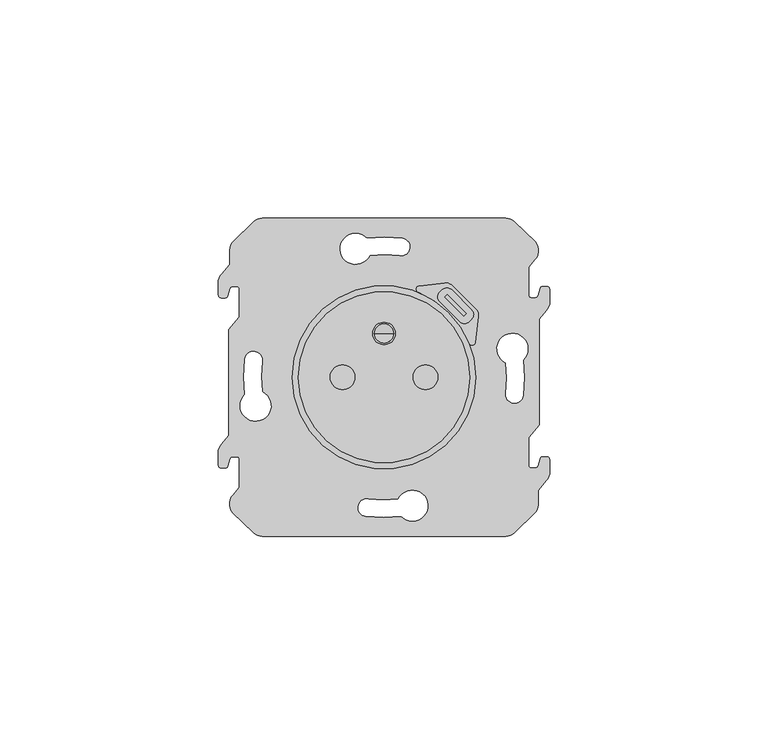
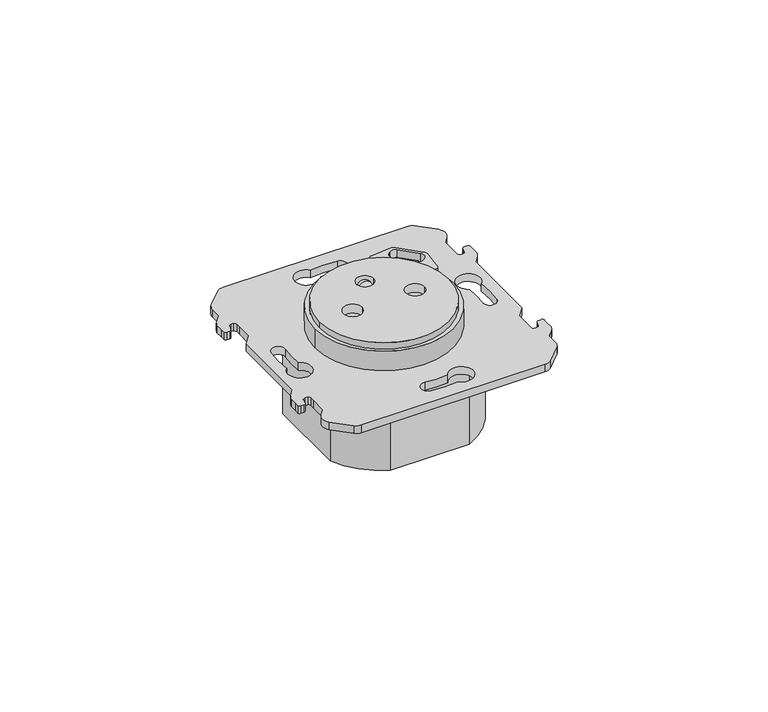
"""IFC4 building model written with IfcOpenShell, lengths in millimetres: proxy geometry."""

from ifc_helpers import new_model, si_unit, point, frame, frame_2d, origin, origin_with_axes, place, context, project, spatial, polyline, circle_curve, ellipse_curve, trimmed, segment, composite_curve, outline, extrude, source, transform, mapped, element, save
from ifc_brep_helpers import plane_surface, cylinder_surface, revolved_surface, advanced_brep


def electrical_fixtures_43f005ed(model_context):
    return source(origin(), model_context, "Body", "SolidModel", [
        advanced_brep(
        [(-5.3618856, 58.9, 1.4999955), (-7.3352401, 58.1817577, 1.4999955), (-12.0623304, 53.6003524, 1.4999955), (-12.825, 51.7544998, 1.4999955), (-12.825, 48.358147, 1.4999955), (-14.6551375, 46.1770741, 1.4999955), (-15.3831369, 44.7482948, 1.4999955), (-15.3831369, 42.6032876, 1.4999955), (-15.3831369, 41.3, 1.4999955), (-14.7831369, 40.7, 1.4999955), (-13.8845347, 40.7, 1.4999955), (-13.2308768, 41.1925666, 1.4999955), (-13.0094096, 41.9649142, 1.4999955), (-12.7678212, 42.8074334, 1.4999955), (-12.1141632, 43.3, 1.4999955), (-11.215561, 43.3, 1.4999955), (-10.615561, 42.7, 1.4999955), (-10.615561, 41.3967124, 1.4999955), (-10.615561, 36.2941352, 1.4999955), (-13.0, 33.4524715, 1.4999955), (-13.0, 9.1495901, 1.4999955), (-14.6551375, 7.1770741, 1.4999955), (-15.3831369, 5.7482948, 1.4999955), (-15.3831369, 3.6032876, 1.4999955), (-15.3831369, 2.3, 1.4999955), (-14.7831369, 1.7, 1.4999955), (-13.8845347, 1.7, 1.4999955), (-13.2308768, 2.1925666, 1.4999955), (-13.0094096, 2.9649142, 1.4999955), (-12.7678212, 3.8074334, 1.4999955), (-12.1141632, 4.3, 1.4999955), (-11.215561, 4.3, 1.4999955), (-10.615561, 3.7, 1.4999955), (-10.615561, 2.3967124, 1.4999955), (-10.615561, -2.7058648, 1.4999955), (-12.0487493, -4.4138721, 1.4999955), (-12.0483311, -8.5880492, 1.4999955), (-7.3352401, -13.1817577, 1.4999955), (-5.3618856, -13.9, 1.4999955), (50.3618856, -13.9, 1.4999955), (52.3352401, -13.1817577, 1.4999955), (57.0623304, -8.6003524, 1.4999955), (57.825, -6.7544998, 1.4999955), (57.825, -3.358147, 1.4999955), (59.6551375, -1.1770741, 1.4999955), (60.3831369, 0.2517052, 1.4999955), (60.3831369, 2.3967124, 1.4999955), (60.3831369, 3.7, 1.4999955), (59.7831369, 4.3, 1.4999955), (58.8845347, 4.3, 1.4999955), (58.2308768, 3.8074334, 1.4999955), (58.0094096, 3.0350858, 1.4999955), (57.7678212, 2.1925666, 1.4999955), (57.1141632, 1.7, 1.4999955), (56.215561, 1.7, 1.4999955), (55.615561, 2.3, 1.4999955), (55.615561, 3.6032876, 1.4999955), (55.615561, 8.7058648, 1.4999955), (58.0, 11.5475285, 1.4999955), (58.0, 35.8504099, 1.4999955), (59.6551375, 37.8229259, 1.4999955), (60.3831369, 39.2517052, 1.4999955), (60.3831369, 41.3967124, 1.4999955), (60.3831369, 42.7, 1.4999955), (59.7831369, 43.3, 1.4999955), (58.8845347, 43.3, 1.4999955), (58.2308768, 42.8074334, 1.4999955), (58.0094096, 42.0350858, 1.4999955), (57.7678212, 41.1925666, 1.4999955), (57.1141632, 40.7, 1.4999955), (56.215561, 40.7, 1.4999955), (55.615561, 41.3, 1.4999955), (55.615561, 42.6032876, 1.4999955), (55.615561, 47.7058648, 1.4999955), (57.0487493, 49.4138721, 1.4999955), (57.0483311, 53.5880492, 1.4999955), (52.3352401, 58.1817577, 1.4999955), (50.3618856, 58.9, 1.4999955), (50.4050903, 25.7948561, 1.4999955), (54.3556482, 26.4616572, 1.4999955), (54.3309119, 18.3239237, 1.4999955), (50.3589525, 18.8422789, 1.4999955), (-5.4050903, 19.2051439, 1.4999955), (-9.3556482, 18.5383428, 1.4999955), (-9.3309119, 26.6760763, 1.4999955), (-5.3589525, 26.1577211, 1.4999955), (19.2051439, 50.4050903, 1.4999955), (18.5383428, 54.3556482, 1.4999955), (26.6760763, 54.3309119, 1.4999955), (26.1577211, 50.3589525, 1.4999955), (25.7948561, -5.4050903, 1.4999955), (26.4616572, -9.3556482, 1.4999955), (18.3239237, -9.3309119, 1.4999955), (18.8422789, -5.3589525, 1.4999955), (-5.3618856, 58.9, -0.9375053), (50.3618856, 58.9, -0.9375053), (52.3352401, 58.1817577, -0.9375053), (57.0623304, 53.6003524, -0.9375053), (57.0487493, 49.4138721, -0.9375053), (55.615561, 47.7058648, -0.9375053), (55.615561, 42.6032876, -0.9375053), (55.615561, 41.3, -0.9375053), (56.215561, 40.7, -0.9375053), (57.1141632, 40.7, -0.9375053), (57.7678212, 41.1925666, -0.9375053), (58.0094096, 42.0350858, -0.9375053), (58.2308768, 42.8074334, -0.9375053), (58.8845347, 43.3, -0.9375053), (59.7831369, 43.3, -0.9375053), (60.3831369, 42.7, -0.9375053), (60.3831369, 41.3967124, -0.9375053), (60.3831369, 39.2517052, -0.9375053), (59.6551375, 37.8229259, -0.9375053), (58.0, 35.8504099, -0.9375053), (58.0, 11.5475285, -0.9375053), (55.615561, 8.7058648, -0.9375053), (55.615561, 3.6032876, -0.9375053), (55.615561, 2.3, -0.9375053), (56.215561, 1.7, -0.9375053), (57.1141632, 1.7, -0.9375053), (57.7678212, 2.1925666, -0.9375053), (58.0094096, 3.0350858, -0.9375053), (58.2308768, 3.8074334, -0.9375053), (58.8845347, 4.3, -0.9375053), (59.7831369, 4.3, -0.9375053), (60.3831369, 3.7, -0.9375053), (60.3831369, 2.3967124, -0.9375053), (60.3831369, 0.2517052, -0.9375053), (59.6551375, -1.1770741, -0.9375053), (57.825, -3.358147, -0.9375053), (57.825, -6.7544998, -0.9375053), (57.0483311, -8.5880492, -0.9375053), (52.3352401, -13.1817577, -0.9375053), (50.3618856, -13.9, -0.9375053), (-5.3618856, -13.9, -0.9375053), (-7.3352401, -13.1817577, -0.9375053), (-12.0623304, -8.6003524, -0.9375053), (-12.0487493, -4.4138721, -0.9375053), (-10.615561, -2.7058648, -0.9375053), (-10.615561, 2.3967124, -0.9375053), (-10.615561, 3.7, -0.9375053), (-11.215561, 4.3, -0.9375053), (-12.1141632, 4.3, -0.9375053), (-12.7678212, 3.8074334, -0.9375053), (-13.0094096, 2.9649142, -0.9375053), (-13.2308768, 2.1925666, -0.9375053), (-13.8845347, 1.7, -0.9375053), (-14.7831369, 1.7, -0.9375053), (-15.3831369, 2.3, -0.9375053), (-15.3831369, 3.6032876, -0.9375053), (-15.3831369, 5.7482948, -0.9375053), (-14.6551375, 7.1770741, -0.9375053), (-13.0, 9.1495901, -0.9375053), (-13.0, 33.4524715, -0.9375053), (-10.615561, 36.2941352, -0.9375053), (-10.615561, 41.3967124, -0.9375053), (-10.615561, 42.7, -0.9375053), (-11.215561, 43.3, -0.9375053), (-12.1141632, 43.3, -0.9375053), (-12.7678212, 42.8074334, -0.9375053), (-13.0094096, 41.9649142, -0.9375053), (-13.2308768, 41.1925666, -0.9375053), (-13.8845347, 40.7, -0.9375053), (-14.7831369, 40.7, -0.9375053), (-15.3831369, 41.3, -0.9375053), (-15.3831369, 42.6032876, -0.9375053), (-15.3831369, 44.7482948, -0.9375053), (-14.6551375, 46.1770741, -0.9375053), (-12.825, 48.358147, -0.9375053), (-12.825, 51.7544998, -0.9375053), (-12.0483311, 53.5880492, -0.9375053), (-7.3352401, 58.1817577, -0.9375053), (50.4050903, 25.7948561, -0.9375053), (50.3589525, 18.8422789, -0.9375053), (54.3309119, 18.3239237, -0.9375053), (54.3556482, 26.4616572, -0.9375053), (-5.4050903, 19.2051439, -0.9375053), (-5.3589525, 26.1577211, -0.9375053), (-9.3309119, 26.6760763, -0.9375053), (-9.3556482, 18.5383428, -0.9375053), (19.2051439, 50.4050903, -0.9375053), (26.1577211, 50.3589525, -0.9375053), (26.6760763, 54.3309119, -0.9375053), (18.5383428, 54.3556482, -0.9375053), (25.7948561, -5.4050903, -0.9375053), (18.8422789, -5.3589525, -0.9375053), (18.3239237, -9.3309119, -0.9375053), (26.4616572, -9.3556482, -0.9375053)],
        [
            (0, 1, circle_curve(frame((-5.3618856, 55.8300054, 1.4999955), z_axis=(0.0, 0.0, 1.0), x_axis=(0.0, -1.0, 0.0)), 3.0699946)),
            (1, 2, circle_curve(frame((22.2319767, 22.9449208, 1.4999955), z_axis=(0.0, 0.0, 1.0), x_axis=(0.0, -1.0, 0.0)), 45.9984237)),
            (2, 3, circle_curve(frame((-9.6732427, 51.5007227, 1.4999955), z_axis=(0.0, 0.0, 1.0), x_axis=(0.0, -1.0, 0.0)), 3.1619578)),
            (3, 4),
            (4, 5),
            (5, 6, circle_curve(frame((-12.0250548, 43.9371233, 1.4999955), z_axis=(0.0, 0.0, 1.0), x_axis=(0.0, 1.0, 0.0)), 3.4546657)),
            (6, 7),
            (7, 8),
            (8, 9, circle_curve(frame((-14.7831369, 41.3, 1.4999955), z_axis=(0.0, 0.0, 1.0), x_axis=(0.0, 1.0, 0.0)), 0.6)),
            (9, 10),
            (10, 11, circle_curve(frame((-13.8845347, 41.38, 1.4999955), z_axis=(0.0, 0.0, 1.0), x_axis=(0.0, 1.0, 0.0)), 0.68)),
            (11, 12),
            (12, 13),
            (13, 14, circle_curve(frame((-12.1141632, 42.62, 1.4999955), z_axis=(0.0, 0.0, -1.0), x_axis=(0.0, -1.0, 0.0)), 0.68)),
            (14, 15),
            (15, 16, circle_curve(frame((-11.215561, 42.7, 1.4999955), z_axis=(0.0, 0.0, -1.0), x_axis=(0.0, -1.0, 0.0)), 0.6)),
            (16, 17),
            (17, 18),
            (18, 19),
            (19, 20),
            (20, 21),
            (21, 22, circle_curve(frame((-12.0250548, 4.9371233, 1.4999955), z_axis=(0.0, 0.0, 1.0), x_axis=(0.0, 1.0, 0.0)), 3.4546657)),
            (22, 23),
            (23, 24),
            (24, 25, circle_curve(frame((-14.7831369, 2.3, 1.4999955), z_axis=(0.0, 0.0, 1.0), x_axis=(0.0, 1.0, 0.0)), 0.6)),
            (25, 26),
            (26, 27, circle_curve(frame((-13.8845347, 2.38, 1.4999955), z_axis=(0.0, 0.0, 1.0), x_axis=(0.0, 1.0, 0.0)), 0.68)),
            (27, 28),
            (28, 29),
            (29, 30, circle_curve(frame((-12.1141632, 3.62, 1.4999955), z_axis=(0.0, 0.0, -1.0), x_axis=(0.0, -1.0, 0.0)), 0.68)),
            (30, 31),
            (31, 32, circle_curve(frame((-11.215561, 3.7, 1.4999955), z_axis=(0.0, 0.0, -1.0), x_axis=(0.0, -1.0, 0.0)), 0.6)),
            (32, 33),
            (33, 34),
            (34, 35),
            (35, 36, circle_curve(frame((-9.6732427, -6.5007227, 1.4999955), z_axis=(0.0, 0.0, 1.0), x_axis=(0.0, 1.0, 0.0)), 3.1619578)),
            (36, 37, circle_curve(frame((22.2319767, 22.0550792, 1.4999955), z_axis=(0.0, 0.0, 1.0), x_axis=(0.0, 1.0, 0.0)), 45.9984237)),
            (37, 38, circle_curve(frame((-5.3618856, -10.8300054, 1.4999955), z_axis=(0.0, 0.0, 1.0), x_axis=(0.0, 1.0, 0.0)), 3.0699946)),
            (38, 39),
            (39, 40, circle_curve(frame((50.3618856, -10.8300054, 1.4999955), z_axis=(0.0, 0.0, 1.0), x_axis=(0.0, 1.0, 0.0)), 3.0699946)),
            (40, 41, circle_curve(frame((22.7680233, 22.0550792, 1.4999955), z_axis=(0.0, 0.0, 1.0), x_axis=(0.0, 1.0, 0.0)), 45.9984237)),
            (41, 42, circle_curve(frame((54.6732427, -6.5007227, 1.4999955), z_axis=(0.0, 0.0, 1.0), x_axis=(0.0, 1.0, 0.0)), 3.1619578)),
            (42, 43),
            (43, 44),
            (44, 45, circle_curve(frame((57.0250548, 1.0628767, 1.4999955), z_axis=(0.0, 0.0, 1.0), x_axis=(0.0, -1.0, 0.0)), 3.4546657)),
            (45, 46),
            (46, 47),
            (47, 48, circle_curve(frame((59.7831369, 3.7, 1.4999955), z_axis=(0.0, 0.0, 1.0), x_axis=(0.0, -1.0, 0.0)), 0.6)),
            (48, 49),
            (49, 50, circle_curve(frame((58.8845347, 3.62, 1.4999955), z_axis=(0.0, 0.0, 1.0), x_axis=(0.0, -1.0, 0.0)), 0.68)),
            (50, 51),
            (51, 52),
            (52, 53, circle_curve(frame((57.1141632, 2.38, 1.4999955), z_axis=(0.0, 0.0, -1.0), x_axis=(0.0, 1.0, 0.0)), 0.68)),
            (53, 54),
            (54, 55, circle_curve(frame((56.215561, 2.3, 1.4999955), z_axis=(0.0, 0.0, -1.0), x_axis=(0.0, 1.0, 0.0)), 0.6)),
            (55, 56),
            (56, 57),
            (57, 58),
            (58, 59),
            (59, 60),
            (60, 61, circle_curve(frame((57.0250548, 40.0628767, 1.4999955), z_axis=(0.0, 0.0, 1.0), x_axis=(0.0, -1.0, 0.0)), 3.4546657)),
            (61, 62),
            (62, 63),
            (63, 64, circle_curve(frame((59.7831369, 42.7, 1.4999955), z_axis=(0.0, 0.0, 1.0), x_axis=(0.0, -1.0, 0.0)), 0.6)),
            (64, 65),
            (65, 66, circle_curve(frame((58.8845347, 42.62, 1.4999955), z_axis=(0.0, 0.0, 1.0), x_axis=(0.0, -1.0, 0.0)), 0.68)),
            (66, 67),
            (67, 68),
            (68, 69, circle_curve(frame((57.1141632, 41.38, 1.4999955), z_axis=(0.0, 0.0, -1.0), x_axis=(0.0, 1.0, 0.0)), 0.68)),
            (69, 70),
            (70, 71, circle_curve(frame((56.215561, 41.3, 1.4999955), z_axis=(0.0, 0.0, -1.0), x_axis=(0.0, 1.0, 0.0)), 0.6)),
            (71, 72),
            (72, 73),
            (73, 74),
            (74, 75, circle_curve(frame((54.6732427, 51.5007227, 1.4999955), z_axis=(0.0, 0.0, 1.0), x_axis=(0.0, -1.0, 0.0)), 3.1619578)),
            (75, 76, circle_curve(frame((22.7680233, 22.9449208, 1.4999955), z_axis=(0.0, 0.0, 1.0), x_axis=(0.0, -1.0, 0.0)), 45.9984237)),
            (76, 77, circle_curve(frame((50.3618856, 55.8300054, 1.4999955), z_axis=(0.0, 0.0, 1.0), x_axis=(0.0, -1.0, 0.0)), 3.0699946)),
            (77, 0),
            (78, 79, circle_curve(frame((51.8931272, 29.0149916, 1.4999955), z_axis=(0.0, 0.0, -1.0), x_axis=(0.0, -1.0, 0.0)), 3.5473266)),
            (79, 80, circle_curve(frame((22.4089112, 22.4898617, 1.4999955), z_axis=(0.0, 0.0, -1.0), x_axis=(0.0, -1.0, 0.0)), 32.1926881)),
            (80, 81, circle_curve(frame((52.3424212, 18.5638607, 1.4999955), z_axis=(0.0, 0.0, -1.0), x_axis=(0.0, -1.0, 0.0)), 2.0029141)),
            (81, 78, circle_curve(frame((24.3636153, 22.4912274, 1.4999955), z_axis=(0.0, 0.0, 1.0), x_axis=(0.0, -1.0, 0.0)), 26.2501882)),
            (82, 83, circle_curve(frame((-6.8931272, 15.9850084, 1.4999955), z_axis=(0.0, 0.0, -1.0), x_axis=(0.0, 1.0, 0.0)), 3.5473266)),
            (83, 84, circle_curve(frame((22.5910888, 22.5101383, 1.4999955), z_axis=(0.0, 0.0, -1.0), x_axis=(0.0, 1.0, 0.0)), 32.1926881)),
            (84, 85, circle_curve(frame((-7.3424212, 26.4361393, 1.4999955), z_axis=(0.0, 0.0, -1.0), x_axis=(0.0, 1.0, 0.0)), 2.0029141)),
            (85, 82, circle_curve(frame((20.6363847, 22.5087726, 1.4999955), z_axis=(0.0, 0.0, 1.0), x_axis=(0.0, 1.0, 0.0)), 26.2501882)),
            (86, 87, circle_curve(frame((15.9850084, 51.8931272, 1.4999955), z_axis=(0.0, 0.0, -1.0), x_axis=(1.0, 0.0, 0.0)), 3.5473266)),
            (87, 88, circle_curve(frame((22.5101383, 22.4089112, 1.4999955), z_axis=(0.0, 0.0, -1.0), x_axis=(1.0, 0.0, 0.0)), 32.1926881)),
            (88, 89, circle_curve(frame((26.4361393, 52.3424212, 1.4999955), z_axis=(0.0, 0.0, -1.0), x_axis=(1.0, 0.0, 0.0)), 2.0029141)),
            (89, 86, circle_curve(frame((22.5087726, 24.3636153, 1.4999955), z_axis=(0.0, 0.0, 1.0), x_axis=(1.0, 0.0, 0.0)), 26.2501882)),
            (90, 91, circle_curve(frame((29.0149916, -6.8931272, 1.4999955), z_axis=(0.0, 0.0, -1.0), x_axis=(-1.0, 0.0, 0.0)), 3.5473266)),
            (91, 92, circle_curve(frame((22.4898617, 22.5910888, 1.4999955), z_axis=(0.0, 0.0, -1.0), x_axis=(-1.0, 0.0, 0.0)), 32.1926881)),
            (92, 93, circle_curve(frame((18.5638607, -7.3424212, 1.4999955), z_axis=(0.0, 0.0, -1.0), x_axis=(-1.0, 0.0, 0.0)), 2.0029141)),
            (93, 90, circle_curve(frame((22.4912274, 20.6363847, 1.4999955), z_axis=(0.0, 0.0, 1.0), x_axis=(-1.0, 0.0, 0.0)), 26.2501882)),
            (94, 95),
            (95, 96, circle_curve(frame((50.3618856, 55.8300054, -0.9375053), z_axis=(0.0, 0.0, -1.0), x_axis=(0.0, -1.0, 0.0)), 3.0699946)),
            (96, 97, circle_curve(frame((22.7680233, 22.9449208, -0.9375053), z_axis=(0.0, 0.0, -1.0), x_axis=(0.0, -1.0, 0.0)), 45.9984237)),
            (97, 98, circle_curve(frame((54.6732427, 51.5007227, -0.9375053), z_axis=(0.0, 0.0, -1.0), x_axis=(0.0, -1.0, 0.0)), 3.1619578)),
            (98, 99),
            (99, 100),
            (100, 101),
            (101, 102, circle_curve(frame((56.215561, 41.3, -0.9375053), z_axis=(0.0, 0.0, 1.0), x_axis=(0.0, 1.0, 0.0)), 0.6)),
            (102, 103),
            (103, 104, circle_curve(frame((57.1141632, 41.38, -0.9375053), z_axis=(0.0, 0.0, 1.0), x_axis=(0.0, 1.0, 0.0)), 0.68)),
            (104, 105),
            (105, 106),
            (106, 107, circle_curve(frame((58.8845347, 42.62, -0.9375053), z_axis=(0.0, 0.0, -1.0), x_axis=(0.0, -1.0, 0.0)), 0.68)),
            (107, 108),
            (108, 109, circle_curve(frame((59.7831369, 42.7, -0.9375053), z_axis=(0.0, 0.0, -1.0), x_axis=(0.0, -1.0, 0.0)), 0.6)),
            (109, 110),
            (110, 111),
            (111, 112, circle_curve(frame((57.0250548, 40.0628767, -0.9375053), z_axis=(0.0, 0.0, -1.0), x_axis=(0.0, -1.0, 0.0)), 3.4546657)),
            (112, 113),
            (113, 114),
            (114, 115),
            (115, 116),
            (116, 117),
            (117, 118, circle_curve(frame((56.215561, 2.3, -0.9375053), z_axis=(0.0, 0.0, 1.0), x_axis=(0.0, 1.0, 0.0)), 0.6)),
            (118, 119),
            (119, 120, circle_curve(frame((57.1141632, 2.38, -0.9375053), z_axis=(0.0, 0.0, 1.0), x_axis=(0.0, 1.0, 0.0)), 0.68)),
            (120, 121),
            (121, 122),
            (122, 123, circle_curve(frame((58.8845347, 3.62, -0.9375053), z_axis=(0.0, 0.0, -1.0), x_axis=(0.0, -1.0, 0.0)), 0.68)),
            (123, 124),
            (124, 125, circle_curve(frame((59.7831369, 3.7, -0.9375053), z_axis=(0.0, 0.0, -1.0), x_axis=(0.0, -1.0, 0.0)), 0.6)),
            (125, 126),
            (126, 127),
            (127, 128, circle_curve(frame((57.0250548, 1.0628767, -0.9375053), z_axis=(0.0, 0.0, -1.0), x_axis=(0.0, -1.0, 0.0)), 3.4546657)),
            (128, 129),
            (129, 130),
            (130, 131, circle_curve(frame((54.6732427, -6.5007227, -0.9375053), z_axis=(0.0, 0.0, -1.0), x_axis=(0.0, 1.0, 0.0)), 3.1619578)),
            (131, 132, circle_curve(frame((22.7680233, 22.0550792, -0.9375053), z_axis=(0.0, 0.0, -1.0), x_axis=(0.0, 1.0, 0.0)), 45.9984237)),
            (132, 133, circle_curve(frame((50.3618856, -10.8300054, -0.9375053), z_axis=(0.0, 0.0, -1.0), x_axis=(0.0, 1.0, 0.0)), 3.0699946)),
            (133, 134),
            (134, 135, circle_curve(frame((-5.3618856, -10.8300054, -0.9375053), z_axis=(0.0, 0.0, -1.0), x_axis=(0.0, 1.0, 0.0)), 3.0699946)),
            (135, 136, circle_curve(frame((22.2319767, 22.0550792, -0.9375053), z_axis=(0.0, 0.0, -1.0), x_axis=(0.0, 1.0, 0.0)), 45.9984237)),
            (136, 137, circle_curve(frame((-9.6732427, -6.5007227, -0.9375053), z_axis=(0.0, 0.0, -1.0), x_axis=(0.0, 1.0, 0.0)), 3.1619578)),
            (137, 138),
            (138, 139),
            (139, 140),
            (140, 141, circle_curve(frame((-11.215561, 3.7, -0.9375053), z_axis=(0.0, 0.0, 1.0), x_axis=(0.0, -1.0, 0.0)), 0.6)),
            (141, 142),
            (142, 143, circle_curve(frame((-12.1141632, 3.62, -0.9375053), z_axis=(0.0, 0.0, 1.0), x_axis=(0.0, -1.0, 0.0)), 0.68)),
            (143, 144),
            (144, 145),
            (145, 146, circle_curve(frame((-13.8845347, 2.38, -0.9375053), z_axis=(0.0, 0.0, -1.0), x_axis=(0.0, 1.0, 0.0)), 0.68)),
            (146, 147),
            (147, 148, circle_curve(frame((-14.7831369, 2.3, -0.9375053), z_axis=(0.0, 0.0, -1.0), x_axis=(0.0, 1.0, 0.0)), 0.6)),
            (148, 149),
            (149, 150),
            (150, 151, circle_curve(frame((-12.0250548, 4.9371233, -0.9375053), z_axis=(0.0, 0.0, -1.0), x_axis=(0.0, 1.0, 0.0)), 3.4546657)),
            (151, 152),
            (152, 153),
            (153, 154),
            (154, 155),
            (155, 156),
            (156, 157, circle_curve(frame((-11.215561, 42.7, -0.9375053), z_axis=(0.0, 0.0, 1.0), x_axis=(0.0, -1.0, 0.0)), 0.6)),
            (157, 158),
            (158, 159, circle_curve(frame((-12.1141632, 42.62, -0.9375053), z_axis=(0.0, 0.0, 1.0), x_axis=(0.0, -1.0, 0.0)), 0.68)),
            (159, 160),
            (160, 161),
            (161, 162, circle_curve(frame((-13.8845347, 41.38, -0.9375053), z_axis=(0.0, 0.0, -1.0), x_axis=(0.0, 1.0, 0.0)), 0.68)),
            (162, 163),
            (163, 164, circle_curve(frame((-14.7831369, 41.3, -0.9375053), z_axis=(0.0, 0.0, -1.0), x_axis=(0.0, 1.0, 0.0)), 0.6)),
            (164, 165),
            (165, 166),
            (166, 167, circle_curve(frame((-12.0250548, 43.9371233, -0.9375053), z_axis=(0.0, 0.0, -1.0), x_axis=(0.0, 1.0, 0.0)), 3.4546657)),
            (167, 168),
            (168, 169),
            (169, 170, circle_curve(frame((-9.6732427, 51.5007227, -0.9375053), z_axis=(0.0, 0.0, -1.0), x_axis=(0.0, -1.0, 0.0)), 3.1619578)),
            (170, 171, circle_curve(frame((22.2319767, 22.9449208, -0.9375053), z_axis=(0.0, 0.0, -1.0), x_axis=(0.0, -1.0, 0.0)), 45.9984237)),
            (171, 94, circle_curve(frame((-5.3618856, 55.8300054, -0.9375053), z_axis=(0.0, 0.0, -1.0), x_axis=(0.0, -1.0, 0.0)), 3.0699946)),
            (172, 173, circle_curve(frame((24.3636153, 22.4912274, -0.9375053), z_axis=(0.0, 0.0, -1.0), x_axis=(0.0, -1.0, 0.0)), 26.2501882)),
            (173, 174, circle_curve(frame((52.3424212, 18.5638607, -0.9375053), z_axis=(0.0, 0.0, 1.0), x_axis=(0.0, -1.0, 0.0)), 2.0029141)),
            (174, 175, circle_curve(frame((22.4089112, 22.4898617, -0.9375053), z_axis=(0.0, 0.0, 1.0), x_axis=(0.0, -1.0, 0.0)), 32.1926881)),
            (175, 172, circle_curve(frame((51.8931272, 29.0149916, -0.9375053), z_axis=(0.0, 0.0, 1.0), x_axis=(0.0, -1.0, 0.0)), 3.5473266)),
            (176, 177, circle_curve(frame((20.6363847, 22.5087726, -0.9375053), z_axis=(0.0, 0.0, -1.0), x_axis=(0.0, 1.0, 0.0)), 26.2501882)),
            (177, 178, circle_curve(frame((-7.3424212, 26.4361393, -0.9375053), z_axis=(0.0, 0.0, 1.0), x_axis=(0.0, 1.0, 0.0)), 2.0029141)),
            (178, 179, circle_curve(frame((22.5910888, 22.5101383, -0.9375053), z_axis=(0.0, 0.0, 1.0), x_axis=(0.0, 1.0, 0.0)), 32.1926881)),
            (179, 176, circle_curve(frame((-6.8931272, 15.9850084, -0.9375053), z_axis=(0.0, 0.0, 1.0), x_axis=(0.0, 1.0, 0.0)), 3.5473266)),
            (180, 181, circle_curve(frame((22.5087726, 24.3636153, -0.9375053), z_axis=(0.0, 0.0, -1.0), x_axis=(1.0, 0.0, 0.0)), 26.2501882)),
            (181, 182, circle_curve(frame((26.4361393, 52.3424212, -0.9375053), z_axis=(0.0, 0.0, 1.0), x_axis=(1.0, 0.0, 0.0)), 2.0029141)),
            (182, 183, circle_curve(frame((22.5101383, 22.4089112, -0.9375053), z_axis=(0.0, 0.0, 1.0), x_axis=(1.0, 0.0, 0.0)), 32.1926881)),
            (183, 180, circle_curve(frame((15.9850084, 51.8931272, -0.9375053), z_axis=(0.0, 0.0, 1.0), x_axis=(1.0, 0.0, 0.0)), 3.5473266)),
            (184, 185, circle_curve(frame((22.4912274, 20.6363847, -0.9375053), z_axis=(0.0, 0.0, -1.0), x_axis=(-1.0, 0.0, 0.0)), 26.2501882)),
            (185, 186, circle_curve(frame((18.5638607, -7.3424212, -0.9375053), z_axis=(0.0, 0.0, 1.0), x_axis=(-1.0, 0.0, 0.0)), 2.0029141)),
            (186, 187, circle_curve(frame((22.4898617, 22.5910888, -0.9375053), z_axis=(0.0, 0.0, 1.0), x_axis=(-1.0, 0.0, 0.0)), 32.1926881)),
            (187, 184, circle_curve(frame((29.0149916, -6.8931272, -0.9375053), z_axis=(0.0, 0.0, 1.0), x_axis=(-1.0, 0.0, 0.0)), 3.5473266)),
            (0, 94),
            (171, 1),
            (170, 2),
            (36, 136),
            (135, 37),
            (134, 38),
            (133, 39),
            (132, 40),
            (131, 41),
            (130, 42),
            (129, 43),
            (128, 44),
            (127, 45),
            (126, 46),
            (125, 47),
            (124, 48),
            (123, 49),
            (122, 50),
            (121, 51),
            (57, 115),
            (114, 58),
            (113, 59),
            (112, 60),
            (111, 61),
            (110, 62),
            (109, 63),
            (108, 64),
            (107, 65),
            (106, 66),
            (105, 67),
            (73, 99),
            (98, 74),
            (97, 75),
            (96, 76),
            (95, 77),
            (78, 172),
            (175, 79),
            (174, 80),
            (173, 81),
            (82, 176),
            (179, 83),
            (178, 84),
            (177, 85),
            (86, 180),
            (183, 87),
            (182, 88),
            (181, 89),
            (90, 184),
            (187, 91),
            (186, 92),
            (185, 93),
            (169, 3),
            (168, 4),
            (167, 5),
            (166, 6),
            (165, 7),
            (164, 8),
            (163, 9),
            (162, 10),
            (161, 11),
            (160, 12),
            (159, 13),
            (158, 14),
            (157, 15),
            (156, 16),
            (155, 17),
            (154, 18),
            (153, 19),
            (152, 20),
            (151, 21),
            (150, 22),
            (149, 23),
            (148, 24),
            (147, 25),
            (146, 26),
            (145, 27),
            (144, 28),
            (143, 29),
            (142, 30),
            (141, 31),
            (140, 32),
            (139, 33),
            (138, 34),
            (137, 35),
            (120, 52),
            (119, 53),
            (118, 54),
            (117, 55),
            (116, 56),
            (104, 68),
            (103, 69),
            (102, 70),
            (101, 71),
            (100, 72),
        ],
        [
            plane_surface(frame((-5.3618856, 52.7600108, 1.4999955), z_axis=(0.0, 0.0, 1.0), x_axis=(1.0, 0.0, 0.0))),
            plane_surface(frame((-5.3618856, 52.7600108, -0.9375053), z_axis=(0.0, 0.0, -1.0), x_axis=(-1.0, 0.0, 0.0))),
            cylinder_surface(frame((-5.3618856, 55.8300054, -0.9375053), z_axis=(0.0, 0.0, 1.0), x_axis=(0.0, -1.0, 0.0)), 3.0699946),
            cylinder_surface(frame((22.2319767, 22.9449208, -0.9375053), z_axis=(0.0, 0.0, 1.0), x_axis=(0.0, -1.0, 0.0)), 45.9984237),
            cylinder_surface(frame((22.2319767, 22.0550792, -0.9375053), z_axis=(0.0, 0.0, 1.0), x_axis=(0.0, 1.0, 0.0)), 45.9984237),
            cylinder_surface(frame((-5.3618856, -10.8300054, -0.9375053), z_axis=(0.0, 0.0, 1.0), x_axis=(0.0, 1.0, 0.0)), 3.0699946),
            plane_surface(frame((-5.3618856, -13.9, 1.4999955), z_axis=(0.0, -1.0, 0.0), x_axis=(0.0, 0.0, -1.0))),
            cylinder_surface(frame((50.3618856, -10.8300054, -0.9375053), z_axis=(0.0, 0.0, 1.0), x_axis=(0.0, 1.0, 0.0)), 3.0699946),
            cylinder_surface(frame((22.7680233, 22.0550792, -0.9375053), z_axis=(0.0, 0.0, 1.0), x_axis=(0.0, 1.0, 0.0)), 45.9984237),
            cylinder_surface(frame((54.6732427, -6.5007227, -0.9375053), z_axis=(0.0, 0.0, 1.0), x_axis=(0.0, 1.0, 0.0)), 3.1619578),
            plane_surface(frame((57.825, -6.7544998, 1.4999955), z_axis=(1.0, 0.0, 0.0), x_axis=(0.0, 0.0, -1.0))),
            plane_surface(frame((57.825, -3.358147, 1.4999955), z_axis=(0.7660444431193687, -0.6427876096860737, 0.0), x_axis=(0.0, 0.0, -1.0))),
            cylinder_surface(frame((57.0250548, 1.0628767, -0.9375053), z_axis=(0.0, 0.0, 1.0), x_axis=(0.0, -1.0, 0.0)), 3.4546657),
            plane_surface(frame((60.3831369, 0.2517052, 1.4999955), z_axis=(1.0, 0.0, 0.0), x_axis=(0.0, 0.0, -1.0))),
            plane_surface(frame((60.3831369, 2.3967124, 1.4999955), z_axis=(1.0, 0.0, 0.0), x_axis=(0.0, 0.0, -1.0))),
            cylinder_surface(frame((59.7831369, 3.7, -0.9375053), z_axis=(0.0, 0.0, 1.0), x_axis=(0.0, -1.0, 0.0)), 0.6),
            plane_surface(frame((59.7831369, 4.3, 1.4999955), z_axis=(0.0, 1.0, 0.0), x_axis=(0.0, 0.0, -1.0))),
            cylinder_surface(frame((58.8845347, 3.62, -0.9375053), z_axis=(0.0, 0.0, 1.0), x_axis=(0.0, -1.0, 0.0)), 0.68),
            plane_surface(frame((58.2308768, 3.8074334, 1.4999955), z_axis=(-0.9612616959382921, 0.27563735581709237, 0.0), x_axis=(0.0, 0.0, -1.0))),
            plane_surface(frame((55.615561, 8.7058648, 1.4999955), z_axis=(0.7660444431184645, -0.6427876096871513, 0.0), x_axis=(0.0, 0.0, -1.0))),
            plane_surface(frame((58.0, 11.5475285, 1.4999955), z_axis=(1.0, 0.0, 0.0), x_axis=(0.0, 0.0, -1.0))),
            plane_surface(frame((58.0, 35.8504099, 1.4999955), z_axis=(0.766044443119369, -0.6427876096860735, 0.0), x_axis=(0.0, 0.0, -1.0))),
            cylinder_surface(frame((57.0250548, 40.0628767, -0.9375053), z_axis=(0.0, 0.0, 1.0), x_axis=(0.0, -1.0, 0.0)), 3.4546657),
            plane_surface(frame((60.3831369, 39.2517052, 1.4999955), z_axis=(1.0, 0.0, 0.0), x_axis=(0.0, 0.0, -1.0))),
            plane_surface(frame((60.3831369, 41.3967124, 1.4999955), z_axis=(1.0, 0.0, 0.0), x_axis=(0.0, 0.0, -1.0))),
            cylinder_surface(frame((59.7831369, 42.7, -0.9375053), z_axis=(0.0, 0.0, 1.0), x_axis=(0.0, -1.0, 0.0)), 0.6),
            plane_surface(frame((59.7831369, 43.3, 1.4999955), z_axis=(0.0, 1.0, 0.0), x_axis=(0.0, 0.0, -1.0))),
            cylinder_surface(frame((58.8845347, 42.62, -0.9375053), z_axis=(0.0, 0.0, 1.0), x_axis=(0.0, -1.0, 0.0)), 0.68),
            plane_surface(frame((58.2308768, 42.8074334, 1.4999955), z_axis=(-0.9612616959382918, 0.27563735581709375, 0.0), x_axis=(0.0, 0.0, -1.0))),
            plane_surface(frame((55.615561, 47.7058648, 1.4999955), z_axis=(0.7660444431184653, -0.6427876096871505, 0.0), x_axis=(0.0, 0.0, -1.0))),
            cylinder_surface(frame((54.6732427, 51.5007227, -0.9375053), z_axis=(0.0, 0.0, 1.0), x_axis=(0.0, -1.0, 0.0)), 3.1619578),
            cylinder_surface(frame((22.7680233, 22.9449208, -0.9375053), z_axis=(0.0, 0.0, 1.0), x_axis=(0.0, -1.0, 0.0)), 45.9984237),
            cylinder_surface(frame((50.3618856, 55.8300054, -0.9375053), z_axis=(0.0, 0.0, 1.0), x_axis=(0.0, -1.0, 0.0)), 3.0699946),
            plane_surface(frame((50.3618856, 58.9, 1.4999955), z_axis=(0.0, 1.0, 0.0), x_axis=(0.0, 0.0, -1.0))),
            revolved_surface(polyline([(51.8931272, 25.467664999999997, -0.9375053), (51.8931272, 25.467664999999997, 1.4999955)]), (51.8931272, 29.0149916, -0.9375053), (0.0, 0.0, -1.0)),
            revolved_surface(polyline([(22.4089112, -9.7028264, -0.9375053), (22.4089112, -9.7028264, 1.4999955)]), (22.4089112, 22.4898617, -0.9375053), (0.0, 0.0, -1.0)),
            revolved_surface(polyline([(52.3424212, 16.5609466, -0.9375053), (52.3424212, 16.5609466, 1.4999955)]), (52.3424212, 18.5638607, -0.9375053), (0.0, 0.0, -1.0)),
            cylinder_surface(frame((24.3636153, 22.4912274, -0.9375053), z_axis=(0.0, 0.0, 1.0), x_axis=(0.0, -1.0, 0.0)), 26.2501882),
            revolved_surface(polyline([(-6.8931272, 19.532335, -0.9375053), (-6.8931272, 19.532335, 1.4999955)]), (-6.8931272, 15.9850084, -0.9375053), (0.0, 0.0, -1.0)),
            revolved_surface(polyline([(22.5910888, 54.7028264, -0.9375053), (22.5910888, 54.7028264, 1.4999955)]), (22.5910888, 22.5101383, -0.9375053), (0.0, 0.0, -1.0)),
            revolved_surface(polyline([(-7.3424212, 28.4390534, -0.9375053), (-7.3424212, 28.4390534, 1.4999955)]), (-7.3424212, 26.4361393, -0.9375053), (0.0, 0.0, -1.0)),
            cylinder_surface(frame((20.6363847, 22.5087726, -0.9375053), z_axis=(0.0, 0.0, 1.0), x_axis=(0.0, 1.0, 0.0)), 26.2501882),
            revolved_surface(polyline([(19.532335, 51.8931272, -0.9375053), (19.532335, 51.8931272, 1.4999955)]), (15.9850084, 51.8931272, -0.9375053), (0.0, 0.0, -1.0)),
            revolved_surface(polyline([(54.7028264, 22.4089112, -0.9375053), (54.7028264, 22.4089112, 1.4999955)]), (22.5101383, 22.4089112, -0.9375053), (0.0, 0.0, -1.0)),
            revolved_surface(polyline([(28.4390534, 52.3424212, -0.9375053), (28.4390534, 52.3424212, 1.4999955)]), (26.4361393, 52.3424212, -0.9375053), (0.0, 0.0, -1.0)),
            cylinder_surface(frame((22.5087726, 24.3636153, -0.9375053), z_axis=(0.0, 0.0, 1.0), x_axis=(1.0, 0.0, 0.0)), 26.2501882),
            revolved_surface(polyline([(25.467664999999997, -6.8931272, -0.9375053), (25.467664999999997, -6.8931272, 1.4999955)]), (29.0149916, -6.8931272, -0.9375053), (0.0, 0.0, -1.0)),
            revolved_surface(polyline([(-9.7028264, 22.5910888, -0.9375053), (-9.7028264, 22.5910888, 1.4999955)]), (22.4898617, 22.5910888, -0.9375053), (0.0, 0.0, -1.0)),
            revolved_surface(polyline([(16.5609466, -7.3424212, -0.9375053), (16.5609466, -7.3424212, 1.4999955)]), (18.5638607, -7.3424212, -0.9375053), (0.0, 0.0, -1.0)),
            cylinder_surface(frame((22.4912274, 20.6363847, -0.9375053), z_axis=(0.0, 0.0, 1.0), x_axis=(-1.0, 0.0, 0.0)), 26.2501882),
            cylinder_surface(frame((-9.6732427, 51.5007227, -0.9375053), z_axis=(0.0, 0.0, 1.0), x_axis=(0.0, -1.0, 0.0)), 3.1619578),
            plane_surface(frame((-12.825, 51.7544998, 1.4999955), z_axis=(-1.0, 0.0, 0.0), x_axis=(0.0, 0.0, -1.0))),
            plane_surface(frame((-12.825, 48.358147, 1.4999955), z_axis=(-0.7660444431193687, 0.6427876096860737, 0.0), x_axis=(0.0, 0.0, -1.0))),
            cylinder_surface(frame((-12.0250548, 43.9371233, -0.9375053), z_axis=(0.0, 0.0, 1.0), x_axis=(0.0, 1.0, 0.0)), 3.4546657),
            plane_surface(frame((-15.3831369, 44.7482948, 1.4999955), z_axis=(-1.0, 0.0, 0.0), x_axis=(0.0, 0.0, -1.0))),
            plane_surface(frame((-15.3831369, 42.6032876, 1.4999955), z_axis=(-1.0, 0.0, 0.0), x_axis=(0.0, 0.0, -1.0))),
            cylinder_surface(frame((-14.7831369, 41.3, -0.9375053), z_axis=(0.0, 0.0, 1.0), x_axis=(0.0, 1.0, 0.0)), 0.6),
            plane_surface(frame((-14.7831369, 40.7, 1.4999955), z_axis=(0.0, -1.0, 0.0), x_axis=(0.0, 0.0, -1.0))),
            cylinder_surface(frame((-13.8845347, 41.38, -0.9375053), z_axis=(0.0, 0.0, 1.0), x_axis=(0.0, 1.0, 0.0)), 0.68),
            plane_surface(frame((-13.2308768, 41.1925666, 1.4999955), z_axis=(0.961261695938292, -0.2756373558170931, 0.0), x_axis=(0.0, 0.0, -1.0))),
            plane_surface(frame((-13.0094096, 41.9649142, 1.4999955), z_axis=(0.9612616959382895, -0.27563735581710186, 0.0), x_axis=(0.0, 0.0, -1.0))),
            revolved_surface(polyline([(-12.1141632, 41.94, -0.9375053), (-12.1141632, 41.94, 1.4999955)]), (-12.1141632, 42.62, -0.9375053), (0.0, 0.0, -1.0)),
            plane_surface(frame((-12.1141632, 43.3, 1.4999955), z_axis=(0.0, -1.0, 0.0), x_axis=(0.0, 0.0, -1.0))),
            revolved_surface(polyline([(-11.215561, 42.1, -0.9375053), (-11.215561, 42.1, 1.4999955)]), (-11.215561, 42.7, -0.9375053), (0.0, 0.0, -1.0)),
            plane_surface(frame((-10.615561, 42.7, 1.4999955), z_axis=(-1.0, 0.0, 0.0), x_axis=(0.0, 0.0, -1.0))),
            plane_surface(frame((-10.615561, 41.3967124, 1.4999955), z_axis=(-1.0, 0.0, 0.0), x_axis=(0.0, 0.0, -1.0))),
            plane_surface(frame((-10.615561, 36.2941352, 1.4999955), z_axis=(-0.7660444431184648, 0.642787609687151, 0.0), x_axis=(0.0, 0.0, -1.0))),
            plane_surface(frame((-13.0, 33.4524715, 1.4999955), z_axis=(-1.0, 0.0, 0.0), x_axis=(0.0, 0.0, -1.0))),
            plane_surface(frame((-13.0, 9.1495901, 1.4999955), z_axis=(-0.7660444431193687, 0.6427876096860738, 0.0), x_axis=(0.0, 0.0, -1.0))),
            cylinder_surface(frame((-12.0250548, 4.9371233, -0.9375053), z_axis=(0.0, 0.0, 1.0), x_axis=(0.0, 1.0, 0.0)), 3.4546657),
            plane_surface(frame((-15.3831369, 5.7482948, 1.4999955), z_axis=(-1.0, 0.0, 0.0), x_axis=(0.0, 0.0, -1.0))),
            plane_surface(frame((-15.3831369, 3.6032876, 1.4999955), z_axis=(-1.0, 0.0, 0.0), x_axis=(0.0, 0.0, -1.0))),
            cylinder_surface(frame((-14.7831369, 2.3, -0.9375053), z_axis=(0.0, 0.0, 1.0), x_axis=(0.0, 1.0, 0.0)), 0.6),
            plane_surface(frame((-14.7831369, 1.7, 1.4999955), z_axis=(0.0, -1.0, 0.0), x_axis=(0.0, 0.0, -1.0))),
            cylinder_surface(frame((-13.8845347, 2.38, -0.9375053), z_axis=(0.0, 0.0, 1.0), x_axis=(0.0, 1.0, 0.0)), 0.68),
            plane_surface(frame((-13.2308768, 2.1925666, 1.4999955), z_axis=(0.9612616959382918, -0.27563735581709375, 0.0), x_axis=(0.0, 0.0, -1.0))),
            plane_surface(frame((-13.0094096, 2.9649142, 1.4999955), z_axis=(0.9612616959751431, -0.2756373556885779, 0.0), x_axis=(0.0, 0.0, -1.0))),
            revolved_surface(polyline([(-12.1141632, 2.94, -0.9375053), (-12.1141632, 2.94, 1.4999955)]), (-12.1141632, 3.62, -0.9375053), (0.0, 0.0, -1.0)),
            plane_surface(frame((-12.1141632, 4.3, 1.4999955), z_axis=(0.0, -1.0, 0.0), x_axis=(0.0, 0.0, -1.0))),
            revolved_surface(polyline([(-11.215561, 3.1, -0.9375053), (-11.215561, 3.1, 1.4999955)]), (-11.215561, 3.7, -0.9375053), (0.0, 0.0, -1.0)),
            plane_surface(frame((-10.615561, 3.7, 1.4999955), z_axis=(-1.0, 0.0, 0.0), x_axis=(0.0, 0.0, -1.0))),
            plane_surface(frame((-10.615561, 2.3967124, 1.4999955), z_axis=(-1.0, 0.0, 0.0), x_axis=(0.0, 0.0, -1.0))),
            plane_surface(frame((-10.615561, -2.7058648, 1.4999955), z_axis=(-0.7660444431184645, 0.6427876096871514, 0.0), x_axis=(0.0, 0.0, -1.0))),
            cylinder_surface(frame((-9.6732427, -6.5007227, -0.9375053), z_axis=(0.0, 0.0, 1.0), x_axis=(0.0, 1.0, 0.0)), 3.1619578),
            plane_surface(frame((58.0094096, 3.0350858, 1.4999955), z_axis=(-0.9612616959382895, 0.27563735581710186, 0.0), x_axis=(0.0, 0.0, -1.0))),
            revolved_surface(polyline([(57.1141632, 3.06, -0.9375053), (57.1141632, 3.06, 1.4999955)]), (57.1141632, 2.38, -0.9375053), (0.0, 0.0, -1.0)),
            plane_surface(frame((57.1141632, 1.7, 1.4999955), z_axis=(0.0, 1.0, 0.0), x_axis=(0.0, 0.0, -1.0))),
            revolved_surface(polyline([(56.215561, 2.9, -0.9375053), (56.215561, 2.9, 1.4999955)]), (56.215561, 2.3, -0.9375053), (0.0, 0.0, -1.0)),
            plane_surface(frame((55.615561, 2.3, 1.4999955), z_axis=(1.0, 0.0, 0.0), x_axis=(0.0, 0.0, -1.0))),
            plane_surface(frame((55.615561, 3.6032876, 1.4999955), z_axis=(1.0, 0.0, 0.0), x_axis=(0.0, 0.0, -1.0))),
            plane_surface(frame((58.0094096, 42.0350858, 1.4999955), z_axis=(-0.9612616959751431, 0.2756373556885779, 0.0), x_axis=(0.0, 0.0, -1.0))),
            revolved_surface(polyline([(57.1141632, 42.06, -0.9375053), (57.1141632, 42.06, 1.4999955)]), (57.1141632, 41.38, -0.9375053), (0.0, 0.0, -1.0)),
            plane_surface(frame((57.1141632, 40.7, 1.4999955), z_axis=(0.0, 1.0, 0.0), x_axis=(0.0, 0.0, -1.0))),
            revolved_surface(polyline([(56.215561, 41.9, -0.9375053), (56.215561, 41.9, 1.4999955)]), (56.215561, 41.3, -0.9375053), (0.0, 0.0, -1.0)),
            plane_surface(frame((55.615561, 41.3, 1.4999955), z_axis=(1.0, 0.0, 0.0), x_axis=(0.0, 0.0, -1.0))),
            plane_surface(frame((55.615561, 42.6032876, 1.4999955), z_axis=(1.0, 0.0, 0.0), x_axis=(0.0, 0.0, -1.0))),
        ],
        [
            (0, [[1, 2, 3, 4, 5, 6, 7, 8, 9, 10, 11, 12, 13, 14, 15, 16, 17, 18, 19, 20, 21, 22, 23, 24, 25, 26, 27, 28, 29, 30, 31, 32, 33, 34, 35, 36, 37, 38, 39, 40, 41, 42, 43, 44, 45, 46, 47, 48, 49, 50, 51, 52, 53, 54, 55, 56, 57, 58, 59, 60, 61, 62, 63, 64, 65, 66, 67, 68, 69, 70, 71, 72, 73, 74, 75, 76, 77, 78], [79, 80, 81, 82], [83, 84, 85, 86], [87, 88, 89, 90], [91, 92, 93, 94]]),
            (1, [[95, 96, 97, 98, 99, 100, 101, 102, 103, 104, 105, 106, 107, 108, 109, 110, 111, 112, 113, 114, 115, 116, 117, 118, 119, 120, 121, 122, 123, 124, 125, 126, 127, 128, 129, 130, 131, 132, 133, 134, 135, 136, 137, 138, 139, 140, 141, 142, 143, 144, 145, 146, 147, 148, 149, 150, 151, 152, 153, 154, 155, 156, 157, 158, 159, 160, 161, 162, 163, 164, 165, 166, 167, 168, 169, 170, 171, 172], [173, 174, 175, 176], [177, 178, 179, 180], [181, 182, 183, 184], [185, 186, 187, 188]]),
            (2, [[-1, 189, -172, 190]]),
            (3, [[-2, -190, -171, 191]]),
            (4, [[-37, 192, -136, 193]]),
            (5, [[-38, -193, -135, 194]]),
            (6, [[-39, -194, -134, 195]]),
            (7, [[-40, -195, -133, 196]]),
            (8, [[-41, -196, -132, 197]]),
            (9, [[-42, -197, -131, 198]]),
            (10, [[-43, -198, -130, 199]]),
            (11, [[-44, -199, -129, 200]]),
            (12, [[-45, -200, -128, 201]]),
            (13, [[-46, -201, -127, 202]]),
            (14, [[-47, -202, -126, 203]]),
            (15, [[-48, -203, -125, 204]]),
            (16, [[-49, -204, -124, 205]]),
            (17, [[-50, -205, -123, 206]]),
            (18, [[-51, -206, -122, 207]]),
            (19, [[-58, 208, -115, 209]]),
            (20, [[-59, -209, -114, 210]]),
            (21, [[-60, -210, -113, 211]]),
            (22, [[-61, -211, -112, 212]]),
            (23, [[-62, -212, -111, 213]]),
            (24, [[-63, -213, -110, 214]]),
            (25, [[-64, -214, -109, 215]]),
            (26, [[-65, -215, -108, 216]]),
            (27, [[-66, -216, -107, 217]]),
            (28, [[-67, -217, -106, 218]]),
            (29, [[-74, 219, -99, 220]]),
            (30, [[-75, -220, -98, 221]]),
            (31, [[-76, -221, -97, 222]]),
            (32, [[-77, -222, -96, 223]]),
            (33, [[-78, -223, -95, -189]]),
            (34, [[-79, 224, -176, 225]]),
            (35, [[-80, -225, -175, 226]]),
            (36, [[-81, -226, -174, 227]]),
            (37, [[-82, -227, -173, -224]]),
            (38, [[-83, 228, -180, 229]]),
            (39, [[-84, -229, -179, 230]]),
            (40, [[-85, -230, -178, 231]]),
            (41, [[-86, -231, -177, -228]]),
            (42, [[-87, 232, -184, 233]]),
            (43, [[-88, -233, -183, 234]]),
            (44, [[-89, -234, -182, 235]]),
            (45, [[-90, -235, -181, -232]]),
            (46, [[-91, 236, -188, 237]]),
            (47, [[-92, -237, -187, 238]]),
            (48, [[-93, -238, -186, 239]]),
            (49, [[-94, -239, -185, -236]]),
            (50, [[-3, -191, -170, 240]]),
            (51, [[-4, -240, -169, 241]]),
            (52, [[-5, -241, -168, 242]]),
            (53, [[-6, -242, -167, 243]]),
            (54, [[-7, -243, -166, 244]]),
            (55, [[-8, -244, -165, 245]]),
            (56, [[-9, -245, -164, 246]]),
            (57, [[-10, -246, -163, 247]]),
            (58, [[-11, -247, -162, 248]]),
            (59, [[-12, -248, -161, 249]]),
            (60, [[-13, -249, -160, 250]]),
            (61, [[-14, -250, -159, 251]]),
            (62, [[-15, -251, -158, 252]]),
            (63, [[-16, -252, -157, 253]]),
            (64, [[-17, -253, -156, 254]]),
            (65, [[-18, -254, -155, 255]]),
            (66, [[-19, -255, -154, 256]]),
            (67, [[-20, -256, -153, 257]]),
            (68, [[-21, -257, -152, 258]]),
            (69, [[-22, -258, -151, 259]]),
            (70, [[-23, -259, -150, 260]]),
            (71, [[-24, -260, -149, 261]]),
            (72, [[-25, -261, -148, 262]]),
            (73, [[-26, -262, -147, 263]]),
            (74, [[-27, -263, -146, 264]]),
            (75, [[-28, -264, -145, 265]]),
            (76, [[-29, -265, -144, 266]]),
            (77, [[-30, -266, -143, 267]]),
            (78, [[-31, -267, -142, 268]]),
            (79, [[-32, -268, -141, 269]]),
            (80, [[-33, -269, -140, 270]]),
            (81, [[-34, -270, -139, 271]]),
            (82, [[-35, -271, -138, 272]]),
            (83, [[-36, -272, -137, -192]]),
            (84, [[-52, -207, -121, 273]]),
            (85, [[-53, -273, -120, 274]]),
            (86, [[-54, -274, -119, 275]]),
            (87, [[-55, -275, -118, 276]]),
            (88, [[-56, -276, -117, 277]]),
            (89, [[-57, -277, -116, -208]]),
            (90, [[-68, -218, -105, 278]]),
            (91, [[-69, -278, -104, 279]]),
            (92, [[-70, -279, -103, 280]]),
            (93, [[-71, -280, -102, 281]]),
            (94, [[-72, -281, -101, 282]]),
            (95, [[-73, -282, -100, -219]]),
        ],
    ),
        extrude(outline(polyline([(40.7520736, 36.513135), (36.4149391, 40.8502694), (36.97765, 41.4129803), (41.3147844, 37.0758459), (40.7520736, 36.513135)])), origin_with_axes(), (0.0, 0.0, 1.0), 6.964033),
        extrude(outline(composite_curve([segment(trimmed(circle_curve(frame_2d((30.6410549, 42.6610241)), 0.7476375), [point((30.3607269, 41.967931))], [point((30.5572769, 43.4039529))], False, "CARTESIAN"), True, "CONTINUOUS"), segment(polyline([(30.5572769, 43.4039529), (36.4531507, 44.0688139)]), True, "CONTINUOUS"), segment(trimmed(circle_curve(frame_2d((36.681199, 42.0465204)), 2.035111), [point((36.4531507, 44.0688139))], [point((38.1202398, 43.4855612))], False, "CARTESIAN"), True, "CONTINUOUS"), segment(polyline([(38.1202398, 43.4855612), (43.4855612, 38.1202398)]), True, "CONTINUOUS"), segment(trimmed(circle_curve(frame_2d((42.0465204, 36.681199)), 2.035111), [point((43.4855612, 38.1202398))], [point((44.0688139, 36.4531507))], False, "CARTESIAN"), True, "CONTINUOUS"), segment(polyline([(44.0688139, 36.4531507), (43.3978779, 30.5034051)]), True, "CONTINUOUS"), segment(trimmed(circle_curve(frame_2d((42.6646785, 30.5860859)), 0.7378465), [point((43.3978779, 30.5034051))], [point((41.9797799, 30.3116203))], False, "CARTESIAN"), True, "CONTINUOUS"), segment(trimmed(circle_curve(frame_2d((22.4867405, 22.5)), 21.0), [point((41.9797799, 30.3116203))], [point((30.3607269, 41.967931))], True, "CARTESIAN"), True, "CONTINUOUS")], self_intersect=False), holes=[composite_curve([segment(polyline([(42.5464772, 37.9502832), (37.9502832, 42.5464772)]), True, "CONTINUOUS"), segment(trimmed(circle_curve(frame_2d((36.889623, 41.4858171)), 1.5), [point((37.9502832, 42.5464772))], [point((35.8289628, 42.5464772))], True, "CARTESIAN"), True, "CONTINUOUS"), segment(polyline([(35.8289628, 42.5464772), (35.2632774, 41.9807918)]), True, "CONTINUOUS"), segment(trimmed(circle_curve(frame_2d((36.3239376, 40.9201316)), 1.5), [point((35.2632774, 41.9807918))], [point((35.2632774, 39.8594715))], True, "CARTESIAN"), True, "CONTINUOUS"), segment(polyline([(35.2632774, 39.8594715), (39.8594715, 35.2632774)]), True, "CONTINUOUS"), segment(trimmed(circle_curve(frame_2d((40.9201316, 36.3239376)), 1.5), [point((39.8594715, 35.2632774))], [point((41.9807918, 35.2632774))], True, "CARTESIAN"), True, "CONTINUOUS"), segment(polyline([(41.9807918, 35.2632774), (42.5464772, 35.8289628)]), True, "CONTINUOUS"), segment(trimmed(circle_curve(frame_2d((41.4858171, 36.889623)), 1.5), [point((42.5464772, 35.8289628))], [point((42.5464772, 37.9502832))], True, "CARTESIAN"), True, "CONTINUOUS")], self_intersect=False)]), frame((0.0, 0.0, 1.4712701), z_axis=(0.0, 0.0, 1.0), x_axis=(1.0, 0.0, 0.0)), (0.0, 0.0, 1.0), 6.8754448),
        extrude(outline(composite_curve([segment(trimmed(circle_curve(frame_2d((22.4867405, 22.5)), 19.6), [point((2.8867405, 22.5))], [point((42.0867405, 22.5))], False, "CARTESIAN"), True, "CONTINUOUS"), segment(trimmed(circle_curve(frame_2d((22.4867405, 22.5)), 19.6), [point((42.0867405, 22.5))], [point((2.8867405, 22.5))], False, "CARTESIAN"), True, "CONTINUOUS")], self_intersect=False), holes=[composite_curve([segment(trimmed(circle_curve(frame_2d((13.0130277, 22.5315089)), 2.8249337), [point((10.1880939, 22.5315089))], [point((15.8379614, 22.5315089))], True, "CARTESIAN"), True, "CONTINUOUS"), segment(trimmed(circle_curve(frame_2d((13.0130277, 22.5315089)), 2.8249337), [point((15.8379614, 22.5315089))], [point((10.1880939, 22.5315089))], True, "CARTESIAN"), True, "CONTINUOUS")], self_intersect=False), composite_curve([segment(trimmed(circle_curve(frame_2d((22.5, 32.5221146)), 2.5812859), [point((19.9187141, 32.5221146))], [point((25.0812859, 32.5221146))], True, "CARTESIAN"), True, "CONTINUOUS"), segment(trimmed(circle_curve(frame_2d((22.5, 32.5221146)), 2.5812859), [point((25.0812859, 32.5221146))], [point((19.9187141, 32.5221146))], True, "CARTESIAN"), True, "CONTINUOUS")], self_intersect=False), composite_curve([segment(trimmed(circle_curve(frame_2d((31.9869723, 22.5315089)), 2.8249337), [point((29.1620386, 22.5315089))], [point((34.8119061, 22.5315089))], True, "CARTESIAN"), True, "CONTINUOUS"), segment(trimmed(circle_curve(frame_2d((31.9869723, 22.5315089)), 2.8249337), [point((34.8119061, 22.5315089))], [point((29.1620386, 22.5315089))], True, "CARTESIAN"), True, "CONTINUOUS")], self_intersect=False)]), frame((0.0, 0.0, 6.964033), z_axis=(0.0, 0.0, 1.0), x_axis=(1.0, 0.0, 0.0)), (0.0, 0.0, 1.0), 2.797967),
        extrude(outline(composite_curve([segment(trimmed(circle_curve(frame_2d((22.4867405, 22.5)), 21.0), [point((1.4867405, 22.5))], [point((43.4867405, 22.5))], False, "CARTESIAN"), True, "CONTINUOUS"), segment(trimmed(circle_curve(frame_2d((22.4867405, 22.5)), 21.0), [point((43.4867405, 22.5))], [point((1.4867405, 22.5))], False, "CARTESIAN"), True, "CONTINUOUS")], self_intersect=False), holes=[composite_curve([segment(trimmed(circle_curve(frame_2d((22.4867405, 22.5)), 19.6), [point((2.8867405, 22.5))], [point((42.0867405, 22.5))], True, "CARTESIAN"), True, "CONTINUOUS"), segment(trimmed(circle_curve(frame_2d((22.4867405, 22.5)), 19.6), [point((42.0867405, 22.5))], [point((2.8867405, 22.5))], True, "CARTESIAN"), True, "CONTINUOUS")], self_intersect=False)]), frame((0.0, 0.0, 1.4999955), z_axis=(0.0, 0.0, 1.0), x_axis=(1.0, 0.0, 0.0)), (0.0, 0.0, 1.0), 6.5000045),
        advanced_brep(
        [(24.6876746, 32.5457839, -7.0052734), (20.3248254, 32.5457839, -7.0052734), (20.3248254, 32.5457839, 7.5613575), (24.6876746, 32.5457839, 7.5613575), (22.50625, 32.5457839, -7.0052734), (22.50625, 32.5457839, 9.7427821)],
        [
            (0, 1, circle_curve(frame((22.50625, 32.5457839, -7.0052734), z_axis=(0.0, 0.0, 1.0), x_axis=(-1.0, 0.0, 0.0)), 2.1814246)),
            (1, 2),
            (2, 3, circle_curve(frame((22.50625, 32.5457839, 7.5613575), z_axis=(0.0, 0.0, -1.0), x_axis=(-1.0, 0.0, 0.0)), 2.1814246)),
            (3, 0),
            (1, 0, circle_curve(frame((22.50625, 32.5457839, -7.0052734), z_axis=(0.0, 0.0, 1.0), x_axis=(-1.0, 0.0, 0.0)), 2.1814246)),
            (3, 2, circle_curve(frame((22.50625, 32.5457839, 7.5613575), z_axis=(0.0, 0.0, -1.0), x_axis=(-1.0, 0.0, 0.0)), 2.1814246)),
            (4, 1),
            (0, 4),
            (2, 5, circle_curve(frame((22.50625, 32.5457839, 7.5613575), z_axis=(0.0, 1.0, 0.0), x_axis=(1.0, 0.0, 0.0)), 2.1814246)),
            (5, 3, circle_curve(frame((22.50625, 32.5457839, 7.5613575), z_axis=(0.0, 1.0, 0.0), x_axis=(-1.0, 0.0, 0.0)), 2.1814246)),
        ],
        [
            cylinder_surface(frame((22.50625, 32.5457839, 10.8625375), z_axis=(0.0, 0.0, -1.0), x_axis=(-1.0, 0.0, 0.0)), 2.1814246),
            plane_surface(frame((22.50625, 32.5457839, -7.0052734), z_axis=(0.0, 0.0, -1.0), x_axis=(-1.0, 0.0, 0.0))),
            revolved_surface(trimmed(ellipse_curve(frame((22.50625, 32.5457839, 7.5613575), z_axis=(0.0, -1.0, 0.0), x_axis=(1.0, 0.0, 0.0)), 2.1814246, 2.1814246), [point((22.50625, 32.5457839, 9.7427821))], [point((20.3248254, 32.5457839, 7.5613575))], True, "CARTESIAN"), (22.50625, 32.5457839, 10.8625375), (0.0, 0.0, -1.0)),
        ],
        [
            (0, [[1, 2, 3, 4]]),
            (0, [[5, -4, 6, -2]]),
            (1, [[7, -1, 8]]),
            (1, [[-8, -5, -7]]),
            (2, [[-3, 9, 10]]),
            (2, [[-6, -10, -9]]),
        ],
    ),
        extrude(outline(composite_curve([segment(trimmed(circle_curve(frame_2d((25.8090347, 26.267337)), 21.987303), [point((34.4825941, 46.4715658))], [point((46.0132635, 34.9408963))], False, "CARTESIAN"), True, "CONTINUOUS"), segment(polyline([(46.0132635, 34.9408963), (46.0132635, 10.0591037)]), True, "CONTINUOUS"), segment(trimmed(circle_curve(frame_2d((25.8090347, 18.732663)), 21.987303), [point((46.0132635, 10.0591037))], [point((34.4825941, -1.4715658))], False, "CARTESIAN"), True, "CONTINUOUS"), segment(polyline([(34.4825941, -1.4715658), (10.5174059, -1.4715658)]), True, "CONTINUOUS"), segment(trimmed(circle_curve(frame_2d((19.1909653, 18.732663)), 21.987303), [point((10.5174059, -1.4715658))], [point((-1.0132635, 10.0591037))], False, "CARTESIAN"), True, "CONTINUOUS"), segment(polyline([(-1.0132635, 10.0591037), (-1.0132635, 34.9408963)]), True, "CONTINUOUS"), segment(trimmed(circle_curve(frame_2d((19.1909653, 26.267337)), 21.987303), [point((-1.0132635, 34.9408963))], [point((10.5174059, 46.4715658))], False, "CARTESIAN"), True, "CONTINUOUS"), segment(polyline([(10.5174059, 46.4715658), (34.4825941, 46.4715658)]), True, "CONTINUOUS")], self_intersect=False)), frame((0.0, 0.0, -26.1102138), z_axis=(0.0, 0.0, 1.0), x_axis=(1.0, 0.0, 0.0)), (0.0, 0.0, 1.0), 25.1727138),
    ])


if __name__ == "__main__":
    model = new_model("IFC4")
    model_context = context("Model", 3, world=origin())
    ifc_project = project(units=[si_unit("LENGTHUNIT", "METRE", prefix="MILLI")], contexts=[model_context])
    site = spatial("IfcSite", under=ifc_project)
    building = spatial("IfcBuilding", under=site)
    placement = place(None, origin())
    electrical_fixtures_shape = electrical_fixtures_43f005ed(model_context)
    element("IfcBuildingElementProxy", 1, Name="Electrical Fixtures", at=placement, inside=building, context=model_context, shape_type="MappedRepresentation", body=[
        mapped(electrical_fixtures_shape, transform((0.0, 0.0, 0.0), x_axis=(1.0, 0.0, 0.0), y_axis=(0.0, 1.0, 0.0), z_axis=(0.0, 0.0, 1.0))),
    ])
    save(model, "model.ifc")
